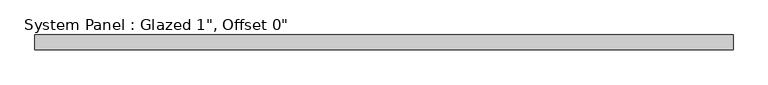
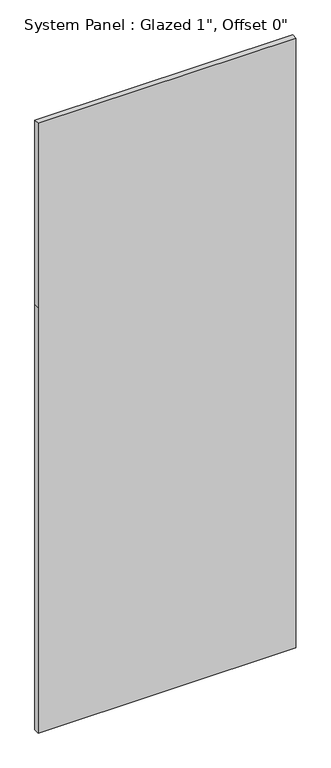
"""IFC4 building model written with IfcOpenShell, lengths in millimetres: plate geometry."""

from ifc_helpers import new_model, si_unit, frame, origin, place, context, project, spatial, polyline, outline, extrude, source, transform, mapped, element, save


def plate_30dc405e(model_context):
    return source(origin(), model_context, "Body", "SweptSolid", [
        extrude(outline(polyline([(0.0, -596.9), (0.0, 596.9), (2082.8, 596.9), (2984.5, 596.9), (2984.5, -596.9), (2082.8, -596.9), (0.0, -596.9)])), frame((0.0, -12.7, 0.0), z_axis=(0.0, 1.0, 0.0), x_axis=(0.0, 0.0, 1.0)), (0.0, 0.0, 1.0), 25.4),
    ])


if __name__ == "__main__":
    model = new_model("IFC4")
    model_context = context("Model", 3, world=origin())
    ifc_project = project(units=[si_unit("LENGTHUNIT", "METRE", prefix="MILLI")], contexts=[model_context])
    site = spatial("IfcSite", under=ifc_project)
    building = spatial("IfcBuilding", under=site)
    placement = place(None, origin())
    plate_shape = plate_30dc405e(model_context)
    element("IfcPlate", 1, ObjectType="System Panel : Glazed 1\", Offset 0\"", at=placement, inside=building, context=model_context, shape_type="MappedRepresentation", body=[
        mapped(plate_shape, transform((0.0, 0.0, 0.0), x_axis=(1.0, 0.0, 0.0), y_axis=(0.0, 1.0, 0.0), z_axis=(0.0, 0.0, 1.0))),
    ])
    save(model, "model.ifc")
